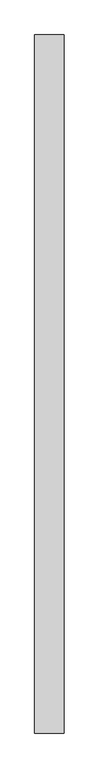
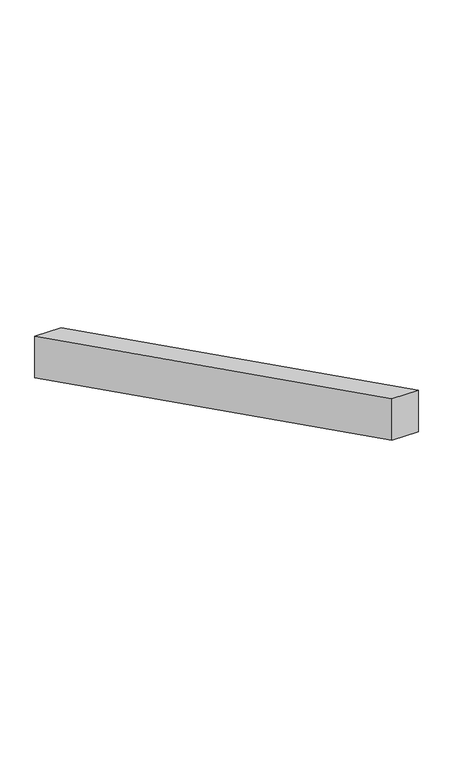
"""IFC4 building model written with IfcOpenShell, lengths in millimetres: railing geometry."""

from ifc_helpers import new_model, si_unit, frame, origin, place, context, project, spatial, polyline, outline, extrude, source, transform, mapped, element, save


def railing_22186c04(model_context):
    return source(origin(), model_context, "Body", "SweptSolid", [
        extrude(outline(polyline([(7494.9949335, 250.0), (7494.9949335, 164.8058101), (6294.9949335, 764.8058101), (6294.9949335, 850.0), (7494.9949335, 250.0)])), frame((-250.8, 0.0, 0.0), z_axis=(1.0, 0.0, 0.0), x_axis=(0.0, 1.0, 0.0)), (0.0, 0.0, 1.0), 50.8),
    ])


if __name__ == "__main__":
    model = new_model("IFC4")
    model_context = context("Model", 3, world=origin())
    ifc_project = project(units=[si_unit("LENGTHUNIT", "METRE", prefix="MILLI")], contexts=[model_context])
    site = spatial("IfcSite", under=ifc_project)
    building = spatial("IfcBuilding", under=site)
    placement = place(None, origin())
    railing_shape = railing_22186c04(model_context)
    element("IfcRailing", 1, at=placement, inside=building, context=model_context, shape_type="MappedRepresentation", body=[
        mapped(railing_shape, transform((0.0, 0.0, 0.0), x_axis=(1.0, 0.0, 0.0), y_axis=(0.0, 1.0, 0.0), z_axis=(0.0, 0.0, 1.0))),
    ])
    save(model, "model.ifc")
